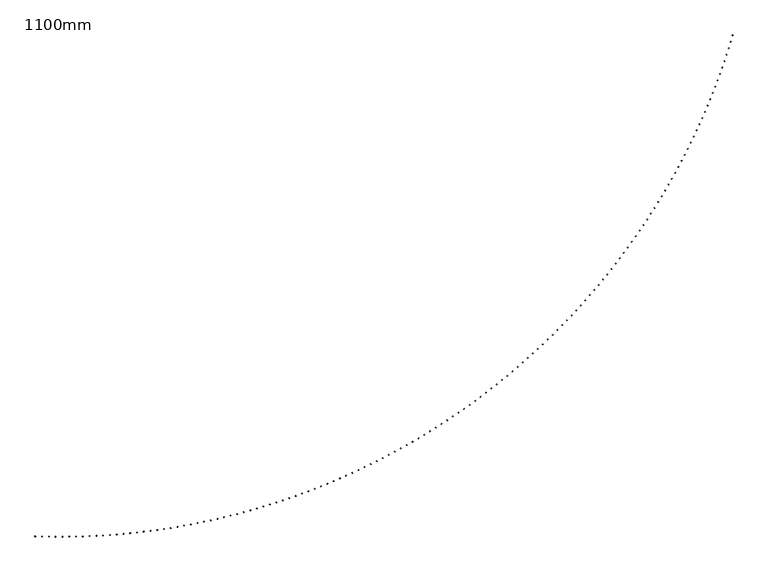
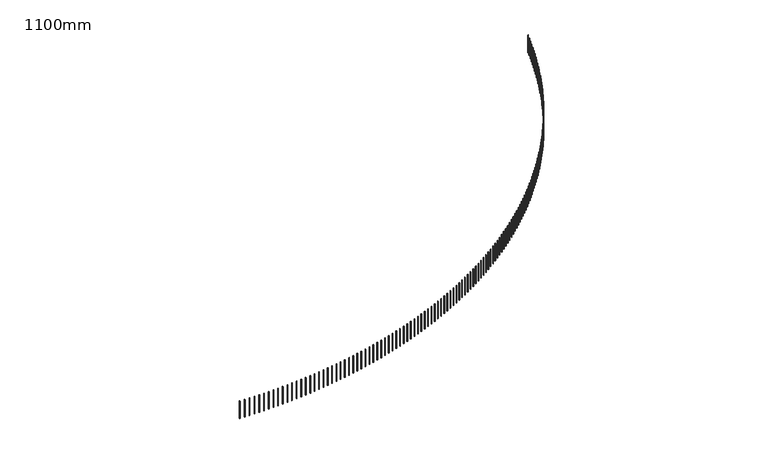
"""IFC4 building model written with IfcOpenShell, lengths in millimetres: railing geometry, 1100mm."""

from ifc_helpers import new_model, si_unit, frame, origin, place, context, project, spatial, polyline, outline, extrude, source, transform, mapped, element, save


def railing_1100mm_326855da(model_context):
    return source(origin(), model_context, "Body", "SweptSolid", [
        extrude(outline(polyline([(-10110.9562878, -82539.3710236), (-10111.8247156, -82564.3559358), (-10136.8096277, -82563.487508), (-10135.9411999, -82538.5025959), (-10110.9562878, -82539.3710236)])), frame((0.0, 0.0, 14600.0), z_axis=(0.0, 0.0, 1.0), x_axis=(1.0, 0.0, 0.0)), (0.0, 0.0, 1.0), 1050.0),
        extrude(outline(polyline([(-9836.1976261, -82547.4690723), (-9836.8242033, -82572.4612191), (-9861.8163501, -82571.8346419), (-9861.1897729, -82546.8424951), (-9836.1976261, -82547.4690723)])), frame((0.0, 0.0, 14600.0), z_axis=(0.0, 0.0, 1.0), x_axis=(1.0, 0.0, 0.0)), (0.0, 0.0, 1.0), 1050.0),
        extrude(outline(polyline([(-9561.373458, -82552.9075616), (-9561.7581259, -82577.9046021), (-9586.7551663, -82577.5199342), (-9586.3704985, -82552.5228938), (-9561.373458, -82552.9075616)])), frame((0.0, 0.0, 14600.0), z_axis=(0.0, 0.0, 1.0), x_axis=(1.0, 0.0, 0.0)), (0.0, 0.0, 1.0), 1050.0),
        extrude(outline(polyline([(-9286.5095264, -82555.6859823), (-9286.6522489, -82580.6855749), (-9311.6518415, -82580.5428524), (-9311.509119, -82555.5432598), (-9286.5095264, -82555.6859823)])), frame((0.0, 0.0, 14600.0), z_axis=(0.0, 0.0, 1.0), x_axis=(1.0, 0.0, 0.0)), (0.0, 0.0, 1.0), 1050.0),
        extrude(outline(polyline([(-9011.6315779, -82555.8040741), (-9011.5323416, -82580.8038771), (-9036.5321447, -82580.9031133), (-9036.6313809, -82555.9033103), (-9011.6315779, -82555.8040741)])), frame((0.0, 0.0, 14600.0), z_axis=(0.0, 0.0, 1.0), x_axis=(1.0, 0.0, 0.0)), (0.0, 0.0, 1.0), 1050.0),
        extrude(outline(polyline([(-8736.7653604, -82553.2618258), (-8736.4241747, -82578.2594975), (-8761.4218465, -82578.6006832), (-8761.7630321, -82553.6030114), (-8736.7653604, -82553.2618258)])), frame((0.0, 0.0, 14600.0), z_axis=(0.0, 0.0, 1.0), x_axis=(1.0, 0.0, 0.0)), (0.0, 0.0, 1.0), 1050.0),
        extrude(outline(polyline([(-8461.9366208, -82548.0594757), (-8461.3535177, -82573.0526745), (-8486.3467166, -82573.6357777), (-8486.9298197, -82548.6425788), (-8461.9366208, -82548.0594757)])), frame((0.0, 0.0, 14600.0), z_axis=(0.0, 0.0, 1.0), x_axis=(1.0, 0.0, 0.0)), (0.0, 0.0, 1.0), 1050.0),
        extrude(outline(polyline([(-8187.1711025, -82540.197511), (-8186.3461366, -82565.1838959), (-8211.3325215, -82566.0088618), (-8212.1574874, -82541.0224769), (-8187.1711025, -82540.197511)])), frame((0.0, 0.0, 14600.0), z_axis=(0.0, 0.0, 1.0), x_axis=(1.0, 0.0, 0.0)), (0.0, 0.0, 1.0), 1050.0),
        extrude(outline(polyline([(-7912.4945429, -82529.6766681), (-7911.4277914, -82554.6538986), (-7936.4050218, -82555.7206501), (-7937.4717734, -82530.7434196), (-7912.4945429, -82529.6766681)])), frame((0.0, 0.0, 14600.0), z_axis=(0.0, 0.0, 1.0), x_axis=(1.0, 0.0, 0.0)), (0.0, 0.0, 1.0), 1050.0),
        extrude(outline(polyline([(-7637.9326711, -82516.4979327), (-7636.6242339, -82541.463669), (-7661.5899703, -82542.7721062), (-7662.8984074, -82517.8063698), (-7637.9326711, -82516.4979327)])), frame((0.0, 0.0, 14600.0), z_axis=(0.0, 0.0, 1.0), x_axis=(1.0, 0.0, 0.0)), (0.0, 0.0, 1.0), 1050.0),
        extrude(outline(polyline([(-7363.5112053, -82500.662539), (-7361.9612051, -82525.6144427), (-7386.9131088, -82527.164443), (-7388.4631091, -82502.2125392), (-7363.5112053, -82500.662539)])), frame((0.0, 0.0, 14600.0), z_axis=(0.0, 0.0, 1.0), x_axis=(1.0, 0.0, 0.0)), (0.0, 0.0, 1.0), 1050.0),
        extrude(outline(polyline([(-7089.255851, -82482.1719705), (-7087.4644328, -82507.1077043), (-7112.4001666, -82508.8991224), (-7114.1915848, -82483.9633886), (-7089.255851, -82482.1719705)])), frame((0.0, 0.0, 14600.0), z_axis=(0.0, 0.0, 1.0), x_axis=(1.0, 0.0, 0.0)), (0.0, 0.0, 1.0), 1050.0),
        extrude(outline(polyline([(-6815.1922975, -82461.0279591), (-6813.1596293, -82485.9451873), (-6838.0768575, -82487.9778555), (-6840.1095257, -82463.0606273), (-6815.1922975, -82461.0279591)])), frame((0.0, 0.0, 14600.0), z_axis=(0.0, 0.0, 1.0), x_axis=(1.0, 0.0, 0.0)), (0.0, 0.0, 1.0), 1050.0),
        extrude(outline(polyline([(-6541.3462167, -82437.2324855), (-6539.0724888, -82462.128874), (-6563.9688773, -82464.4026019), (-6566.2426052, -82439.5062134), (-6541.3462167, -82437.2324855)])), frame((0.0, 0.0, 14600.0), z_axis=(0.0, 0.0, 1.0), x_axis=(1.0, 0.0, 0.0)), (0.0, 0.0, 1.0), 1050.0),
        extrude(outline(polyline([(-6267.7432598, -82410.7877785), (-6265.2286852, -82435.6609953), (-6290.101902, -82438.1755699), (-6292.6164767, -82413.3023531), (-6267.7432598, -82410.7877785)])), frame((0.0, 0.0, 14600.0), z_axis=(0.0, 0.0, 1.0), x_axis=(1.0, 0.0, 0.0)), (0.0, 0.0, 1.0), 1050.0),
        extrude(outline(polyline([(-5994.4090554, -82381.6963152), (-5991.6538696, -82406.5440305), (-6016.5015849, -82409.2992162), (-6019.2567706, -82384.451501), (-5994.4090554, -82381.6963152)])), frame((0.0, 0.0, 14600.0), z_axis=(0.0, 0.0, 1.0), x_axis=(1.0, 0.0, 0.0)), (0.0, 0.0, 1.0), 1050.0),
        extrude(outline(polyline([(-5721.3692068, -82349.9608208), (-5718.3736679, -82374.7807069), (-5743.1935541, -82377.7762457), (-5746.1890929, -82352.9563596), (-5721.3692068, -82349.9608208)])), frame((0.0, 0.0, 14600.0), z_axis=(0.0, 0.0, 1.0), x_axis=(1.0, 0.0, 0.0)), (0.0, 0.0, 1.0), 1050.0),
        extrude(outline(polyline([(-5448.6492898, -82315.5842677), (-5445.4136784, -82340.3739998), (-5470.2034106, -82343.6096112), (-5473.4390219, -82318.8198791), (-5448.6492898, -82315.5842677)])), frame((0.0, 0.0, 14600.0), z_axis=(0.0, 0.0, 1.0), x_axis=(1.0, 0.0, 0.0)), (0.0, 0.0, 1.0), 1050.0),
        extrude(outline(polyline([(-5176.2748502, -82278.5698762), (-5172.7994694, -82303.3271322), (-5197.5567255, -82306.802513), (-5201.0321063, -82282.0452569), (-5176.2748502, -82278.5698762)])), frame((0.0, 0.0, 14600.0), z_axis=(0.0, 0.0, 1.0), x_axis=(1.0, 0.0, 0.0)), (0.0, 0.0, 1.0), 1050.0),
        extrude(outline(polyline([(-4904.2714014, -82238.9211133), (-4900.5565768, -82263.6435743), (-4925.2790378, -82267.3583989), (-4928.9938624, -82242.6359379), (-4904.2714014, -82238.9211133)])), frame((0.0, 0.0, 14600.0), z_axis=(0.0, 0.0, 1.0), x_axis=(1.0, 0.0, 0.0)), (0.0, 0.0, 1.0), 1050.0),
        extrude(outline(polyline([(-4632.6644222, -82196.641693), (-4628.7105017, -82221.3270431), (-4653.3958518, -82225.2809637), (-4657.3497724, -82200.5956135), (-4632.6644222, -82196.641693)])), frame((0.0, 0.0, 14600.0), z_axis=(0.0, 0.0, 1.0), x_axis=(1.0, 0.0, 0.0)), (0.0, 0.0, 1.0), 1050.0),
        extrude(outline(polyline([(-4361.4793541, -82151.7355756), (-4357.286708, -82176.3815026), (-4381.9326351, -82180.5741487), (-4386.1252811, -82155.9282217), (-4361.4793541, -82151.7355756)])), frame((0.0, 0.0, 14600.0), z_axis=(0.0, 0.0, 1.0), x_axis=(1.0, 0.0, 0.0)), (0.0, 0.0, 1.0), 1050.0),
        extrude(outline(polyline([(-4090.7415992, -82104.2069675), (-4086.3106203, -82128.8111628), (-4110.9148156, -82133.2421417), (-4115.3457945, -82108.6379464), (-4090.7415992, -82104.2069675)])), frame((0.0, 0.0, 14600.0), z_axis=(0.0, 0.0, 1.0), x_axis=(1.0, 0.0, 0.0)), (0.0, 0.0, 1.0), 1050.0),
        extrude(outline(polyline([(-3820.4765175, -82054.0603207), (-3815.8076209, -82078.6204796), (-3840.3677798, -82083.2893763), (-3845.0366764, -82058.7292174), (-3820.4765175, -82054.0603207)])), frame((0.0, 0.0, 14600.0), z_axis=(0.0, 0.0, 1.0), x_axis=(1.0, 0.0, 0.0)), (0.0, 0.0, 1.0), 1050.0),
        extrude(outline(polyline([(-3550.709425, -82001.3003326), (-3545.803048, -82025.8141545), (-3570.3168699, -82030.7205315), (-3575.2232469, -82006.2067096), (-3550.709425, -82001.3003326)])), frame((0.0, 0.0, 14600.0), z_axis=(0.0, 0.0, 1.0), x_axis=(1.0, 0.0, 0.0)), (0.0, 0.0, 1.0), 1050.0),
        extrude(outline(polyline([(-3281.465591, -81945.931945), (-3276.3221931, -81970.3971337), (-3300.7873818, -81975.5405316), (-3305.9307796, -81951.0753429), (-3281.465591, -81945.931945)])), frame((0.0, 0.0, 14600.0), z_axis=(0.0, 0.0, 1.0), x_axis=(1.0, 0.0, 0.0)), (0.0, 0.0, 1.0), 1050.0),
        extrude(outline(polyline([(-3012.7702354, -81887.9603445), (-3007.3902985, -81912.3746083), (-3031.8045623, -81917.7545453), (-3037.1844993, -81893.3402814), (-3012.7702354, -81887.9603445)])), frame((0.0, 0.0, 14600.0), z_axis=(0.0, 0.0, 1.0), x_axis=(1.0, 0.0, 0.0)), (0.0, 0.0, 1.0), 1050.0),
        extrude(outline(polyline([(-2744.6485274, -81827.3909612), (-2739.0325553, -81851.7520133), (-2763.3936074, -81857.3679854), (-2769.0095794, -81833.0069333), (-2744.6485274, -81827.3909612)])), frame((0.0, 0.0, 14600.0), z_axis=(0.0, 0.0, 1.0), x_axis=(1.0, 0.0, 0.0)), (0.0, 0.0, 1.0), 1050.0),
        extrude(outline(polyline([(-2477.1255818, -81764.2294688), (-2471.2741007, -81788.5350272), (-2495.5796591, -81794.3865083), (-2501.4311402, -81770.0809499), (-2477.1255818, -81764.2294688)])), frame((0.0, 0.0, 14600.0), z_axis=(0.0, 0.0, 1.0), x_axis=(1.0, 0.0, 0.0)), (0.0, 0.0, 1.0), 1050.0),
        extrude(outline(polyline([(-2210.2264577, -81698.4817835), (-2204.1400157, -81722.7295715), (-2228.3878037, -81728.8160136), (-2234.4742457, -81704.5682256), (-2210.2264577, -81698.4817835)])), frame((0.0, 0.0, 14600.0), z_axis=(0.0, 0.0, 1.0), x_axis=(1.0, 0.0, 0.0)), (0.0, 0.0, 1.0), 1050.0),
        extrude(outline(polyline([(-1943.9761558, -81630.1540641), (-1937.6553229, -81654.3418104), (-1961.8430692, -81660.6626433), (-1968.1639021, -81636.474897), (-1943.9761558, -81630.1540641)])), frame((0.0, 0.0, 14600.0), z_axis=(0.0, 0.0, 1.0), x_axis=(1.0, 0.0, 0.0)), (0.0, 0.0, 1.0), 1050.0),
        extrude(outline(polyline([(-1678.3996157, -81559.2527107), (-1671.8449841, -81583.3781497), (-1695.970423, -81589.9327813), (-1702.5250546, -81565.8073424), (-1678.3996157, -81559.2527107)])), frame((0.0, 0.0, 14600.0), z_axis=(0.0, 0.0, 1.0), x_axis=(1.0, 0.0, 0.0)), (0.0, 0.0, 1.0), 1050.0),
        extrude(outline(polyline([(-1413.5217142, -81485.7843648), (-1406.7338978, -81509.8452366), (-1430.7947695, -81516.633053), (-1437.582586, -81492.5721812), (-1413.5217142, -81485.7843648)])), frame((0.0, 0.0, 14600.0), z_axis=(0.0, 0.0, 1.0), x_axis=(1.0, 0.0, 0.0)), (0.0, 0.0, 1.0), 1050.0),
        extrude(outline(polyline([(-1149.3672626, -81409.7559082), (-1142.3468972, -81433.7499589), (-1166.3409479, -81440.7703243), (-1173.3613133, -81416.7762736), (-1149.3672626, -81409.7559082)])), frame((0.0, 0.0, 14600.0), z_axis=(0.0, 0.0, 1.0), x_axis=(1.0, 0.0, 0.0)), (0.0, 0.0, 1.0), 1050.0),
        extrude(outline(polyline([(-885.9610043, -81331.1744625), (-878.7087475, -81355.0994447), (-902.6337297, -81362.3517014), (-909.8859864, -81338.4267192), (-885.9610043, -81331.1744625)])), frame((0.0, 0.0, 14600.0), z_axis=(0.0, 0.0, 1.0), x_axis=(1.0, 0.0, 0.0)), (0.0, 0.0, 1.0), 1050.0),
        extrude(outline(polyline([(-623.3276126, -81250.0473885), (-615.8441439, -81273.901061), (-639.6978165, -81281.3845298), (-647.1812852, -81257.5308572), (-623.3276126, -81250.0473885)])), frame((0.0, 0.0, 14600.0), z_axis=(0.0, 0.0, 1.0), x_axis=(1.0, 0.0, 0.0)), (0.0, 0.0, 1.0), 1050.0),
        extrude(outline(polyline([(-361.4916887, -81166.3822853), (-353.7777089, -81190.1624139), (-377.5578375, -81197.8763937), (-385.2718173, -81174.0962651), (-361.4916887, -81166.3822853)])), frame((0.0, 0.0, 14600.0), z_axis=(0.0, 0.0, 1.0), x_axis=(1.0, 0.0, 0.0)), (0.0, 0.0, 1.0), 1050.0),
        extrude(outline(polyline([(-100.4777588, -81080.18699), (-92.5339905, -81103.8913471), (-116.2383476, -81111.8351154), (-124.1821159, -81088.1307583), (-100.4777588, -81080.18699)])), frame((0.0, 0.0, 14600.0), z_axis=(0.0, 0.0, 1.0), x_axis=(1.0, 0.0, 0.0)), (0.0, 0.0, 1.0), 1050.0),
        extrude(outline(polyline([(159.6897277, -80991.4695764), (167.8625404, -81015.0959416), (144.2361752, -81023.2687543), (136.0633625, -80999.6423891), (159.6897277, -80991.4695764)])), frame((0.0, 0.0, 14600.0), z_axis=(0.0, 0.0, 1.0), x_axis=(1.0, 0.0, 0.0)), (0.0, 0.0, 1.0), 1050.0),
        extrude(outline(polyline([(418.986401, -80900.2383549), (427.3874925, -80923.7845151), (403.8413323, -80932.1856066), (395.4402408, -80908.6394464), (418.986401, -80900.2383549)])), frame((0.0, 0.0, 14600.0), z_axis=(0.0, 0.0, 1.0), x_axis=(1.0, 0.0, 0.0)), (0.0, 0.0, 1.0), 1050.0),
        extrude(outline(polyline([(677.3879724, -80806.501871), (686.0165559, -80829.9656207), (662.5528062, -80838.5942041), (653.9242228, -80815.1304544), (677.3879724, -80806.501871)])), frame((0.0, 0.0, 14600.0), z_axis=(0.0, 0.0, 1.0), x_axis=(1.0, 0.0, 0.0)), (0.0, 0.0, 1.0), 1050.0),
        extrude(outline(polyline([(934.8702375, -80710.2689051), (943.7255046, -80733.6480464), (920.3463633, -80742.5033135), (911.4910963, -80719.1241722), (934.8702375, -80710.2689051)])), frame((0.0, 0.0, 14600.0), z_axis=(0.0, 0.0, 1.0), x_axis=(1.0, 0.0, 0.0)), (0.0, 0.0, 1.0), 1050.0),
        extrude(outline(polyline([(1191.4090777, -80611.5484715), (1200.4901989, -80634.8408144), (1177.197856, -80643.9219356), (1168.1167348, -80620.6295927), (1191.4090777, -80611.5484715)])), frame((0.0, 0.0, 14600.0), z_axis=(0.0, 0.0, 1.0), x_axis=(1.0, 0.0, 0.0)), (0.0, 0.0, 1.0), 1050.0),
        extrude(outline(polyline([(1446.9804628, -80510.3498172), (1456.2865876, -80533.5531799), (1433.0832249, -80542.8593047), (1423.7771001, -80519.655942), (1446.9804628, -80510.3498172)])), frame((0.0, 0.0, 14600.0), z_axis=(0.0, 0.0, 1.0), x_axis=(1.0, 0.0, 0.0)), (0.0, 0.0, 1.0), 1050.0),
        extrude(outline(polyline([(1701.5604535, -80406.6824217), (1711.0907101, -80429.7946308), (1687.978501, -80439.3248874), (1678.4482444, -80416.2126783), (1701.5604535, -80406.6824217)])), frame((0.0, 0.0, 14600.0), z_axis=(0.0, 0.0, 1.0), x_axis=(1.0, 0.0, 0.0)), (0.0, 0.0, 1.0), 1050.0),
        extrude(outline(polyline([(1955.125203, -80300.5559955), (1964.8786987, -80323.574886), (1941.8598082, -80333.3283817), (1932.1063125, -80310.3094912), (1955.125203, -80300.5559955)])), frame((0.0, 0.0, 14600.0), z_axis=(0.0, 0.0, 1.0), x_axis=(1.0, 0.0, 0.0)), (0.0, 0.0, 1.0), 1050.0),
        extrude(outline(polyline([(2207.6509598, -80191.9804794), (2217.6267811, -80214.9038952), (2194.7033653, -80224.8797165), (2184.7275441, -80201.9563007), (2207.6509598, -80191.9804794)])), frame((0.0, 0.0, 14600.0), z_axis=(0.0, 0.0, 1.0), x_axis=(1.0, 0.0, 0.0)), (0.0, 0.0, 1.0), 1050.0),
        extrude(outline(polyline([(2459.1140697, -80080.966044), (2469.3112821, -80103.7918377), (2446.4854883, -80113.9890501), (2436.288276, -80091.1632563), (2459.1140697, -80080.966044)])), frame((0.0, 0.0, 14600.0), z_axis=(0.0, 0.0, 1.0), x_axis=(1.0, 0.0, 0.0)), (0.0, 0.0, 1.0), 1050.0),
        extrude(outline(polyline([(2709.4909781, -79967.5230878), (2719.9086263, -79990.2491214), (2697.1825927, -80000.6667697), (2686.7649444, -79977.940736), (2709.4909781, -79967.5230878)])), frame((0.0, 0.0, 14600.0), z_axis=(0.0, 0.0, 1.0), x_axis=(1.0, 0.0, 0.0)), (0.0, 0.0, 1.0), 1050.0),
        extrude(outline(polyline([(2958.7582319, -79851.6622372), (2969.3953402, -79874.286382), (2946.7711955, -79884.9234903), (2936.1340872, -79862.2993455), (2958.7582319, -79851.6622372)])), frame((0.0, 0.0, 14600.0), z_axis=(0.0, 0.0, 1.0), x_axis=(1.0, 0.0, 0.0)), (0.0, 0.0, 1.0), 1050.0),
        extrude(outline(polyline([(3206.8924823, -79733.394345), (3217.7480543, -79755.9144816), (3195.2279176, -79766.7700536), (3184.3723456, -79744.249917), (3206.8924823, -79733.394345)])), frame((0.0, 0.0, 14600.0), z_axis=(0.0, 0.0, 1.0), x_axis=(1.0, 0.0, 0.0)), (0.0, 0.0, 1.0), 1050.0),
        extrude(outline(polyline([(3453.8704863, -79612.7304892), (3464.9435051, -79635.1445084), (3442.529486, -79646.2175272), (3431.4564671, -79623.8035081), (3453.8704863, -79612.7304892)])), frame((0.0, 0.0, 14600.0), z_axis=(0.0, 0.0, 1.0), x_axis=(1.0, 0.0, 0.0)), (0.0, 0.0, 1.0), 1050.0),
        extrude(outline(polyline([(3699.6691094, -79489.6819727), (3710.9585378, -79511.9877747), (3688.6527358, -79523.2772032), (3677.3633073, -79500.9714011), (3699.6691094, -79489.6819727)])), frame((0.0, 0.0, 14600.0), z_axis=(0.0, 0.0, 1.0), x_axis=(1.0, 0.0, 0.0)), (0.0, 0.0, 1.0), 1050.0),
        extrude(outline(polyline([(3944.2653275, -79364.2603213), (3955.7701081, -79386.4558169), (3933.5746125, -79397.9605975), (3922.0698319, -79375.7651019), (3944.2653275, -79364.2603213)])), frame((0.0, 0.0, 14600.0), z_axis=(0.0, 0.0, 1.0), x_axis=(1.0, 0.0, 0.0)), (0.0, 0.0, 1.0), 1050.0),
        extrude(outline(polyline([(4187.6362291, -79236.4772835), (4199.3552842, -79258.5603935), (4177.2721742, -79270.2794486), (4165.5531191, -79248.1963386), (4187.6362291, -79236.4772835)])), frame((0.0, 0.0, 14600.0), z_axis=(0.0, 0.0, 1.0), x_axis=(1.0, 0.0, 0.0)), (0.0, 0.0, 1.0), 1050.0),
        extrude(outline(polyline([(4429.7590177, -79106.3448286), (4441.6912495, -79128.3134846), (4419.7225936, -79140.2457164), (4407.7903618, -79118.2770605), (4429.7590177, -79106.3448286)])), frame((0.0, 0.0, 14600.0), z_axis=(0.0, 0.0, 1.0), x_axis=(1.0, 0.0, 0.0)), (0.0, 0.0, 1.0), 1050.0),
        extrude(outline(polyline([(4670.6110134, -78973.8751464), (4682.7553042, -78995.7272904), (4660.9031602, -79007.8715813), (4648.7588693, -78986.0194373), (4670.6110134, -78973.8751464)])), frame((0.0, 0.0, 14600.0), z_axis=(0.0, 0.0, 1.0), x_axis=(1.0, 0.0, 0.0)), (0.0, 0.0, 1.0), 1050.0),
        extrude(outline(polyline([(4910.1696554, -78839.0806452), (4922.5248678, -78860.8142304), (4900.7912826, -78873.1694428), (4888.4360702, -78851.4358576), (4910.1696554, -78839.0806452)])), frame((0.0, 0.0, 14600.0), z_axis=(0.0, 0.0, 1.0), x_axis=(1.0, 0.0, 0.0)), (0.0, 0.0, 1.0), 1050.0),
        extrude(outline(polyline([(5148.4125043, -78701.9739514), (5160.9774809, -78723.586942), (5139.3644902, -78736.1519186), (5126.7995137, -78714.5389279), (5148.4125043, -78701.9739514)])), frame((0.0, 0.0, 14600.0), z_axis=(0.0, 0.0, 1.0), x_axis=(1.0, 0.0, 0.0)), (0.0, 0.0, 1.0), 1050.0),
        extrude(outline(polyline([(5385.3172437, -78562.5679077), (5398.0908074, -78584.0582793), (5376.6004359, -78596.831843), (5363.8268721, -78575.3414715), (5385.3172437, -78562.5679077)])), frame((0.0, 0.0, 14600.0), z_axis=(0.0, 0.0, 1.0), x_axis=(1.0, 0.0, 0.0)), (0.0, 0.0, 1.0), 1050.0),
        extrude(outline(polyline([(5620.8616826, -78420.8755725), (5633.842637, -78442.241312), (5612.4768976, -78455.2222664), (5599.4959431, -78433.856527), (5620.8616826, -78420.8755725)])), frame((0.0, 0.0, 14600.0), z_axis=(0.0, 0.0, 1.0), x_axis=(1.0, 0.0, 0.0)), (0.0, 0.0, 1.0), 1050.0),
        extrude(outline(polyline([(5855.0237574, -78276.9102182), (5868.2108866, -78298.1493241), (5846.9717806, -78311.3364534), (5833.7846514, -78290.0973474), (5855.0237574, -78276.9102182)])), frame((0.0, 0.0, 14600.0), z_axis=(0.0, 0.0, 1.0), x_axis=(1.0, 0.0, 0.0)), (0.0, 0.0, 1.0), 1050.0),
        extrude(outline(polyline([(6087.781534, -78130.6853299), (6101.1736028, -78151.795813), (6080.0631197, -78165.1878817), (6066.671051, -78144.0773987), (6087.781534, -78130.6853299)])), frame((0.0, 0.0, 14600.0), z_axis=(0.0, 0.0, 1.0), x_axis=(1.0, 0.0, 0.0)), (0.0, 0.0, 1.0), 1050.0),
        extrude(outline(polyline([(6319.11321, -77982.2146048), (6332.7089638, -78003.1944875), (6311.7290811, -78016.7902413), (6298.1333273, -77995.8103586), (6319.11321, -77982.2146048)])), frame((0.0, 0.0, 14600.0), z_axis=(0.0, 0.0, 1.0), x_axis=(1.0, 0.0, 0.0)), (0.0, 0.0, 1.0), 1050.0),
        extrude(outline(polyline([(6548.9971164, -77831.5119501), (6562.7952817, -77852.3592672), (6541.9479646, -77866.1574326), (6528.1497992, -77845.3101155), (6548.9971164, -77831.5119501)])), frame((0.0, 0.0, 14600.0), z_axis=(0.0, 0.0, 1.0), x_axis=(1.0, 0.0, 0.0)), (0.0, 0.0, 1.0), 1050.0),
        extrude(outline(polyline([(6777.4117197, -77678.5914822), (6791.4110042, -77699.304281), (6770.6982054, -77713.3035655), (6756.6989209, -77692.5907666), (6777.4117197, -77678.5914822)])), frame((0.0, 0.0, 14600.0), z_axis=(0.0, 0.0, 1.0), x_axis=(1.0, 0.0, 0.0)), (0.0, 0.0, 1.0), 1050.0),
        extrude(outline(polyline([(7004.3356244, -77523.4675252), (7018.5347166, -77544.0438655), (6997.9583763, -77558.2429578), (6983.7592841, -77537.6666174), (7004.3356244, -77523.4675252)])), frame((0.0, 0.0, 14600.0), z_axis=(0.0, 0.0, 1.0), x_axis=(1.0, 0.0, 0.0)), (0.0, 0.0, 1.0), 1050.0),
        extrude(outline(polyline([(7229.7475744, -77366.1546098), (7244.1451443, -77386.5925642), (7223.7071899, -77400.9901341), (7209.30962, -77380.5521797), (7229.7475744, -77366.1546098)])), frame((0.0, 0.0, 14600.0), z_axis=(0.0, 0.0, 1.0), x_axis=(1.0, 0.0, 0.0)), (0.0, 0.0, 1.0), 1050.0),
        extrude(outline(polyline([(7453.6264551, -77206.6674714), (7468.2211541, -77226.9651255), (7447.9235, -77241.5598245), (7433.328801, -77221.2621704), (7453.6264551, -77206.6674714)])), frame((0.0, 0.0, 14600.0), z_axis=(0.0, 0.0, 1.0), x_axis=(1.0, 0.0, 0.0)), (0.0, 0.0, 1.0), 1050.0),
        extrude(outline(polyline([(7675.9512957, -77045.0210493), (7690.7417567, -77065.1765018), (7670.5863043, -77079.9669628), (7655.7958433, -77059.8115103), (7675.9512957, -77045.0210493)])), frame((0.0, 0.0, 14600.0), z_axis=(0.0, 0.0, 1.0), x_axis=(1.0, 0.0, 0.0)), (0.0, 0.0, 1.0), 1050.0),
        extrude(outline(polyline([(7896.701271, -76881.2304851), (7911.6861086, -76901.2418479), (7891.6747458, -76916.2266855), (7876.6899082, -76896.2153227), (7896.701271, -76881.2304851)])), frame((0.0, 0.0, 14600.0), z_axis=(0.0, 0.0, 1.0), x_axis=(1.0, 0.0, 0.0)), (0.0, 0.0, 1.0), 1050.0),
        extrude(outline(polyline([(8115.8557032, -76715.311121), (8131.0335137, -76735.1765197), (8111.168115, -76750.3543302), (8095.9903045, -76730.4889315), (8115.8557032, -76715.311121)])), frame((0.0, 0.0, 14600.0), z_axis=(0.0, 0.0, 1.0), x_axis=(1.0, 0.0, 0.0)), (0.0, 0.0, 1.0), 1050.0),
        extrude(outline(polyline([(8333.394064, -76547.2784988), (8348.7634258, -76566.9960726), (8329.0458519, -76582.3654344), (8313.6764901, -76562.6478605), (8333.394064, -76547.2784988)])), frame((0.0, 0.0, 14600.0), z_axis=(0.0, 0.0, 1.0), x_axis=(1.0, 0.0, 0.0)), (0.0, 0.0, 1.0), 1050.0),
        extrude(outline(polyline([(8549.2959765, -76377.1483582), (8564.8554498, -76396.7162602), (8545.2875477, -76412.2757335), (8529.7280744, -76392.7078315), (8549.2959765, -76377.1483582)])), frame((0.0, 0.0, 14600.0), z_axis=(0.0, 0.0, 1.0), x_axis=(1.0, 0.0, 0.0)), (0.0, 0.0, 1.0), 1050.0),
        extrude(outline(polyline([(8763.541217, -76204.9366354), (8779.2893444, -76224.3530327), (8759.8729471, -76240.1011601), (8744.1248197, -76220.6847628), (8763.541217, -76204.9366354)])), frame((0.0, 0.0, 14600.0), z_axis=(0.0, 0.0, 1.0), x_axis=(1.0, 0.0, 0.0)), (0.0, 0.0, 1.0), 1050.0),
        extrude(outline(polyline([(8976.109717, -76030.6594615), (8992.0450234, -76049.9225353), (8972.7819496, -76065.8578417), (8956.8466432, -76046.5947679), (8976.109717, -76030.6594615)])), frame((0.0, 0.0, 14600.0), z_axis=(0.0, 0.0, 1.0), x_axis=(1.0, 0.0, 0.0)), (0.0, 0.0, 1.0), 1050.0),
        extrude(outline(polyline([(9186.9815652, -75854.3331613), (9203.1025579, -75873.4411071), (9183.994612, -75889.5620998), (9167.8736193, -75870.4541539), (9186.9815652, -75854.3331613)])), frame((0.0, 0.0, 14600.0), z_axis=(0.0, 0.0, 1.0), x_axis=(1.0, 0.0, 0.0)), (0.0, 0.0, 1.0), 1050.0),
        extrude(outline(polyline([(9396.1370091, -75675.9742511), (9412.442178, -75694.9252792), (9393.4911499, -75711.2304482), (9377.185981, -75692.27942), (9396.1370091, -75675.9742511)])), frame((0.0, 0.0, 14600.0), z_axis=(0.0, 0.0, 1.0), x_axis=(1.0, 0.0, 0.0)), (0.0, 0.0, 1.0), 1050.0),
        extrude(outline(polyline([(9603.556457, -75495.5994381), (9620.0442748, -75514.3917733), (9601.2519396, -75530.8795912), (9584.7641218, -75512.0872559), (9603.556457, -75495.5994381)])), frame((0.0, 0.0, 14600.0), z_axis=(0.0, 0.0, 1.0), x_axis=(1.0, 0.0, 0.0)), (0.0, 0.0, 1.0), 1050.0),
        extrude(outline(polyline([(9809.2204798, -75313.225618), (9825.8894022, -75331.8575), (9807.2575201, -75348.5264224), (9790.5885978, -75329.8945403), (9809.2204798, -75313.225618)])), frame((0.0, 0.0, 14600.0), z_axis=(0.0, 0.0, 1.0), x_axis=(1.0, 0.0, 0.0)), (0.0, 0.0, 1.0), 1050.0),
        extrude(outline(polyline([(10013.1098129, -75128.8698739), (10029.9582783, -75147.3395575), (10011.4885947, -75164.1880229), (9994.6401293, -75145.7183393), (10013.1098129, -75128.8698739)])), frame((0.0, 0.0, 14600.0), z_axis=(0.0, 0.0, 1.0), x_axis=(1.0, 0.0, 0.0)), (0.0, 0.0, 1.0), 1050.0),
        extrude(outline(polyline([(10215.2053578, -74942.5494744), (10232.2317882, -74960.8552295), (10213.9260331, -74977.8816598), (10196.8996027, -74959.5759048), (10215.2053578, -74942.5494744)])), frame((0.0, 0.0, 14600.0), z_axis=(0.0, 0.0, 1.0), x_axis=(1.0, 0.0, 0.0)), (0.0, 0.0, 1.0), 1050.0),
        extrude(outline(polyline([(10415.4881842, -74754.2818723), (10432.6909846, -74772.4219842), (10414.5508727, -74789.6247846), (10397.3480723, -74771.4846727), (10415.4881842, -74754.2818723)])), frame((0.0, 0.0, 14600.0), z_axis=(0.0, 0.0, 1.0), x_axis=(1.0, 0.0, 0.0)), (0.0, 0.0, 1.0), 1050.0),
        extrude(outline(polyline([(10613.9395314, -74564.0847027), (10631.3170904, -74582.0574722), (10613.344321, -74599.4350312), (10595.966762, -74581.4622617), (10613.9395314, -74564.0847027)])), frame((0.0, 0.0, 14600.0), z_axis=(0.0, 0.0, 1.0), x_axis=(1.0, 0.0, 0.0)), (0.0, 0.0, 1.0), 1050.0),
        extrude(outline(polyline([(10810.5408105, -74371.9757815), (10828.0915004, -74389.779525), (10810.2877568, -74407.3302149), (10792.7370669, -74389.5264714), (10810.5408105, -74371.9757815)])), frame((0.0, 0.0, 14600.0), z_axis=(0.0, 0.0, 1.0), x_axis=(1.0, 0.0, 0.0)), (0.0, 0.0, 1.0), 1050.0),
        extrude(outline(polyline([(11005.2736056, -74177.9731036), (11022.9957824, -74195.6061535), (11005.3627325, -74213.3283303), (10987.6405557, -74195.6952804), (11005.2736056, -74177.9731036)])), frame((0.0, 0.0, 14600.0), z_axis=(0.0, 0.0, 1.0), x_axis=(1.0, 0.0, 0.0)), (0.0, 0.0, 1.0), 1050.0),
        extrude(outline(polyline([(11198.1196761, -73982.0948413), (11216.0116798, -73999.5555459), (11198.5509751, -74017.4475496), (11180.6589715, -73999.986845), (11198.1196761, -73982.0948413)])), frame((0.0, 0.0, 14600.0), z_axis=(0.0, 0.0, 1.0), x_axis=(1.0, 0.0, 0.0)), (0.0, 0.0, 1.0), 1050.0),
        extrude(outline(polyline([(11389.060958, -73784.3593427), (11407.1211125, -73801.6460664), (11389.8343888, -73819.706221), (11371.7742342, -73802.4194972), (11389.060958, -73784.3593427)])), frame((0.0, 0.0, 14600.0), z_axis=(0.0, 0.0, 1.0), x_axis=(1.0, 0.0, 0.0)), (0.0, 0.0, 1.0), 1050.0),
        extrude(outline(polyline([(11578.0795657, -73584.7851297), (11596.3061794, -73601.8962533), (11579.1950558, -73620.1228671), (11560.968442, -73603.0117434), (11578.0795657, -73584.7851297)])), frame((0.0, 0.0, 14600.0), z_axis=(0.0, 0.0, 1.0), x_axis=(1.0, 0.0, 0.0)), (0.0, 0.0, 1.0), 1050.0),
        extrude(outline(polyline([(11765.1577937, -73383.3908966), (11783.5491593, -73400.3248173), (11766.6152386, -73418.7161829), (11748.223873, -73401.7822622), (11765.1577937, -73383.3908966)])), frame((0.0, 0.0, 14600.0), z_axis=(0.0, 0.0, 1.0), x_axis=(1.0, 0.0, 0.0)), (0.0, 0.0, 1.0), 1050.0),
        extrude(outline(polyline([(11950.2781183, -73180.195508), (11968.8325131, -73196.9506396), (11952.0773816, -73215.5050344), (11933.5229868, -73198.7499028), (11950.2781183, -73180.195508)])), frame((0.0, 0.0, 14600.0), z_axis=(0.0, 0.0, 1.0), x_axis=(1.0, 0.0, 0.0)), (0.0, 0.0, 1.0), 1050.0),
        extrude(outline(polyline([(12133.4231993, -72975.2179974), (12152.1388853, -72991.7927703), (12135.5641123, -73010.5084563), (12116.8484263, -72993.9336833), (12133.4231993, -72975.2179974)])), frame((0.0, 0.0, 14600.0), z_axis=(0.0, 0.0, 1.0), x_axis=(1.0, 0.0, 0.0)), (0.0, 0.0, 1.0), 1050.0),
        extrude(outline(polyline([(12314.5758813, -72768.4775651), (12333.4511053, -72784.8704269), (12317.0582435, -72803.7456509), (12298.1830195, -72787.3527891), (12314.5758813, -72768.4775651)])), frame((0.0, 0.0, 14600.0), z_axis=(0.0, 0.0, 1.0), x_axis=(1.0, 0.0, 0.0)), (0.0, 0.0, 1.0), 1050.0),
        extrude(outline(polyline([(12493.7191956, -72559.9935766), (12512.7521897, -72576.2029917), (12496.5427745, -72595.2359857), (12477.5097805, -72579.0265706), (12493.7191956, -72559.9935766)])), frame((0.0, 0.0, 14600.0), z_axis=(0.0, 0.0, 1.0), x_axis=(1.0, 0.0, 0.0)), (0.0, 0.0, 1.0), 1050.0),
        extrude(outline(polyline([(12670.8363619, -72349.7855607), (12690.0253431, -72365.8100107), (12674.000893, -72384.9989919), (12654.8119118, -72368.9745419), (12670.8363619, -72349.7855607)])), frame((0.0, 0.0, 14600.0), z_axis=(0.0, 0.0, 1.0), x_axis=(1.0, 0.0, 0.0)), (0.0, 0.0, 1.0), 1050.0),
        extrude(outline(polyline([(12845.9107894, -72137.8732076), (12865.2539604, -72153.7111917), (12849.4159763, -72173.0543626), (12830.0728054, -72157.2163786), (12845.9107894, -72137.8732076)])), frame((0.0, 0.0, 14600.0), z_axis=(0.0, 0.0, 1.0), x_axis=(1.0, 0.0, 0.0)), (0.0, 0.0, 1.0), 1050.0),
        extrude(outline(polyline([(13018.9260789, -71924.2763674), (13038.4216277, -71939.9264018), (13022.7715933, -71959.4219506), (13003.2760445, -71943.7719162), (13018.9260789, -71924.2763674)])), frame((0.0, 0.0, 14600.0), z_axis=(0.0, 0.0, 1.0), x_axis=(1.0, 0.0, 0.0)), (0.0, 0.0, 1.0), 1050.0),
        extrude(outline(polyline([(13189.8660239, -71709.0150478), (13209.5121244, -71724.4756666), (13194.0515055, -71744.1217671), (13174.405405, -71728.6611483), (13189.8660239, -71709.0150478)])), frame((0.0, 0.0, 14600.0), z_axis=(0.0, 0.0, 1.0), x_axis=(1.0, 0.0, 0.0)), (0.0, 0.0, 1.0), 1050.0),
        extrude(outline(polyline([(13358.7146124, -71492.1094123), (13378.5094243, -71507.3791674), (13363.2396692, -71527.1739793), (13343.4448573, -71511.9042242), (13358.7146124, -71492.1094123)])), frame((0.0, 0.0, 14600.0), z_axis=(0.0, 0.0, 1.0), x_axis=(1.0, 0.0, 0.0)), (0.0, 0.0, 1.0), 1050.0),
        extrude(outline(polyline([(13525.4560282, -71273.5797787), (13545.3976974, -71288.6572397), (13530.3202364, -71308.5989088), (13510.3785672, -71293.5214478), (13525.4560282, -71273.5797787)])), frame((0.0, 0.0, 14600.0), z_axis=(0.0, 0.0, 1.0), x_axis=(1.0, 0.0, 0.0)), (0.0, 0.0, 1.0), 1050.0),
        extrude(outline(polyline([(13690.0746527, -71053.4466166), (13710.1613111, -71068.3303713), (13695.2775565, -71088.4170297), (13675.190898, -71073.5332751), (13690.0746527, -71053.4466166)])), frame((0.0, 0.0, 14600.0), z_axis=(0.0, 0.0, 1.0), x_axis=(1.0, 0.0, 0.0)), (0.0, 0.0, 1.0), 1050.0),
        extrude(outline(polyline([(13852.5550658, -70831.7305462), (13872.7848321, -70846.4192003), (13858.096178, -70866.6489665), (13837.8664118, -70851.9603125), (13852.5550658, -70831.7305462)])), frame((0.0, 0.0, 14600.0), z_axis=(0.0, 0.0, 1.0), x_axis=(1.0, 0.0, 0.0)), (0.0, 0.0, 1.0), 1050.0),
        extrude(outline(polyline([(14012.882048, -70608.4523357), (14033.2530271, -70622.9445133), (14018.7608495, -70643.3154923), (13998.3898705, -70628.8233148), (14012.882048, -70608.4523357)])), frame((0.0, 0.0, 14600.0), z_axis=(0.0, 0.0, 1.0), x_axis=(1.0, 0.0, 0.0)), (0.0, 0.0, 1.0), 1050.0),
        extrude(outline(polyline([(14171.0405814, -70383.6328996), (14191.5508652, -70397.9272432), (14177.2565216, -70418.437527), (14156.7462378, -70404.1431833), (14171.0405814, -70383.6328996)])), frame((0.0, 0.0, 14600.0), z_axis=(0.0, 0.0, 1.0), x_axis=(1.0, 0.0, 0.0)), (0.0, 0.0, 1.0), 1050.0),
        extrude(outline(polyline([(14327.0158512, -70157.2932968), (14347.6635184, -70171.3884676), (14333.5683477, -70192.0361348), (14312.9206805, -70177.9409641), (14327.0158512, -70157.2932968)])), frame((0.0, 0.0, 14600.0), z_axis=(0.0, 0.0, 1.0), x_axis=(1.0, 0.0, 0.0)), (0.0, 0.0, 1.0), 1050.0),
        extrude(outline(polyline([(14480.7932471, -69929.4547289), (14501.5763637, -69943.3494064), (14487.6816862, -69964.132523), (14466.8985696, -69950.2378455), (14480.7932471, -69929.4547289)])), frame((0.0, 0.0, 14600.0), z_axis=(0.0, 0.0, 1.0), x_axis=(1.0, 0.0, 0.0)), (0.0, 0.0, 1.0), 1050.0),
        extrude(outline(polyline([(14632.3583646, -69700.1385374), (14653.2749839, -69713.8314202), (14639.5821011, -69734.7480394), (14618.6654818, -69721.0551566), (14632.3583646, -69700.1385374)])), frame((0.0, 0.0, 14600.0), z_axis=(0.0, 0.0, 1.0), x_axis=(1.0, 0.0, 0.0)), (0.0, 0.0, 1.0), 1050.0),
        extrude(outline(polyline([(14781.6970067, -69469.3662026), (14802.7451693, -69482.856008), (14789.2553639, -69503.9041706), (14768.2072013, -69490.4143652), (14781.6970067, -69469.3662026)])), frame((0.0, 0.0, 14600.0), z_axis=(0.0, 0.0, 1.0), x_axis=(1.0, 0.0, 0.0)), (0.0, 0.0, 1.0), 1050.0),
        extrude(outline(polyline([(14928.7951847, -69237.1593409), (14949.972919, -69250.4448054), (14936.6874545, -69271.6225398), (14915.5097201, -69258.3370753), (14928.7951847, -69237.1593409)])), frame((0.0, 0.0, 14600.0), z_axis=(0.0, 0.0, 1.0), x_axis=(1.0, 0.0, 0.0)), (0.0, 0.0, 1.0), 1050.0),
        extrude(outline(polyline([(15073.6391197, -69003.5397035), (15094.9444421, -69016.6195826), (15081.864563, -69037.924905), (15060.5592406, -69024.8450259), (15073.6391197, -69003.5397035)])), frame((0.0, 0.0, 14600.0), z_axis=(0.0, 0.0, 1.0), x_axis=(1.0, 0.0, 0.0)), (0.0, 0.0, 1.0), 1050.0),
        extrude(outline(polyline([(15216.2152443, -68768.5291734), (15237.6461591, -68781.4022419), (15224.7730906, -68802.8331567), (15203.3421758, -68789.9600882), (15216.2152443, -68768.5291734)])), frame((0.0, 0.0, 14600.0), z_axis=(0.0, 0.0, 1.0), x_axis=(1.0, 0.0, 0.0)), (0.0, 0.0, 1.0), 1050.0),
        extrude(outline(polyline([(15356.5102032, -68532.1497643), (15378.0647029, -68544.8148164), (15365.3996508, -68566.3693161), (15343.8451512, -68553.704264), (15356.5102032, -68532.1497643)])), frame((0.0, 0.0, 14600.0), z_axis=(0.0, 0.0, 1.0), x_axis=(1.0, 0.0, 0.0)), (0.0, 0.0, 1.0), 1050.0),
        extrude(outline(polyline([(15494.510855, -68294.423618), (15516.1869206, -68306.8794673), (15503.7310713, -68328.5555329), (15482.0550057, -68316.0996836), (15494.510855, -68294.423618)])), frame((0.0, 0.0, 14600.0), z_axis=(0.0, 0.0, 1.0), x_axis=(1.0, 0.0, 0.0)), (0.0, 0.0, 1.0), 1050.0),
        extrude(outline(polyline([(15630.204273, -68055.3730024), (15651.9998741, -68067.6184821), (15639.7543943, -68089.4140832), (15617.9587932, -68077.1686034), (15630.204273, -68055.3730024)])), frame((0.0, 0.0, 14600.0), z_axis=(0.0, 0.0, 1.0), x_axis=(1.0, 0.0, 0.0)), (0.0, 0.0, 1.0), 1050.0),
        extrude(outline(polyline([(15763.5777468, -67815.0203094), (15785.4908418, -67827.0542726), (15773.4568785, -67848.9673675), (15751.5437836, -67836.9334043), (15763.5777468, -67815.0203094)])), frame((0.0, 0.0, 14600.0), z_axis=(0.0, 0.0, 1.0), x_axis=(1.0, 0.0, 0.0)), (0.0, 0.0, 1.0), 1050.0),
        extrude(outline(polyline([(15894.6187833, -67573.388053), (15916.6473194, -67585.2093725), (15904.826, -67607.2379087), (15882.7974638, -67595.4165892), (15894.6187833, -67573.388053)])), frame((0.0, 0.0, 14600.0), z_axis=(0.0, 0.0, 1.0), x_axis=(1.0, 0.0, 0.0)), (0.0, 0.0, 1.0), 1050.0),
        extrude(outline(polyline([(16023.3151076, -67330.4988671), (16045.4570216, -67342.1064355), (16033.8494533, -67364.2483495), (16011.7075393, -67352.6407811), (16023.3151076, -67330.4988671)])), frame((0.0, 0.0, 14600.0), z_axis=(0.0, 0.0, 1.0), x_axis=(1.0, 0.0, 0.0)), (0.0, 0.0, 1.0), 1050.0),
        extrude(outline(polyline([(16149.6546649, -67086.3755032), (16171.9078827, -67097.7682332), (16160.5151527, -67120.021451), (16138.2619349, -67108.628721), (16149.6546649, -67086.3755032)])), frame((0.0, 0.0, 14600.0), z_axis=(0.0, 0.0, 1.0), x_axis=(1.0, 0.0, 0.0)), (0.0, 0.0, 1.0), 1050.0),
        extrude(outline(polyline([(16273.6256207, -66841.0408284), (16295.9880579, -66852.2176529), (16284.8112334, -66874.58009), (16262.4487963, -66863.4032656), (16273.6256207, -66841.0408284)])), frame((0.0, 0.0, 14600.0), z_axis=(0.0, 0.0, 1.0), x_axis=(1.0, 0.0, 0.0)), (0.0, 0.0, 1.0), 1050.0),
        extrude(outline(polyline([(16395.2163628, -66594.5178234), (16417.6859245, -66605.4776954), (16406.7260526, -66627.9472572), (16384.2564908, -66616.9873852), (16395.2163628, -66594.5178234)])), frame((0.0, 0.0, 14600.0), z_axis=(0.0, 0.0, 1.0), x_axis=(1.0, 0.0, 0.0)), (0.0, 0.0, 1.0), 1050.0),
        extrude(outline(polyline([(16514.4155015, -66346.8295802), (16536.9900832, -66357.571473), (16526.2481903, -66380.1460547), (16503.6736086, -66369.4041618), (16514.4155015, -66346.8295802)])), frame((0.0, 0.0, 14600.0), z_axis=(0.0, 0.0, 1.0), x_axis=(1.0, 0.0, 0.0)), (0.0, 0.0, 1.0), 1050.0),
        extrude(outline(polyline([(16631.2118715, -66097.9992997), (16653.8893585, -66108.5222072), (16643.3664509, -66131.1996942), (16620.6889639, -66120.6767867), (16631.2118715, -66097.9992997)])), frame((0.0, 0.0, 14600.0), z_axis=(0.0, 0.0, 1.0), x_axis=(1.0, 0.0, 0.0)), (0.0, 0.0, 1.0), 1050.0),
        extrude(outline(polyline([(16745.5945324, -65848.05029), (16768.3728005, -65858.3532266), (16758.0698639, -65881.1314947), (16735.2915958, -65870.8285581), (16745.5945324, -65848.05029)])), frame((0.0, 0.0, 14600.0), z_axis=(0.0, 0.0, 1.0), x_axis=(1.0, 0.0, 0.0)), (0.0, 0.0, 1.0), 1050.0),
        extrude(outline(polyline([(16857.5527699, -65597.0059641), (16880.4296855, -65607.0879646), (16870.347685, -65629.9648802), (16847.4707694, -65619.8828796), (16857.5527699, -65597.0059641)])), frame((0.0, 0.0, 14600.0), z_axis=(0.0, 0.0, 1.0), x_axis=(1.0, 0.0, 0.0)), (0.0, 0.0, 1.0), 1050.0),
        extrude(outline(polyline([(16967.0760969, -65344.8898373), (16990.049517, -65354.7499574), (16980.1893969, -65377.7233775), (16957.2159768, -65367.8632574), (16967.0760969, -65344.8898373)])), frame((0.0, 0.0, 14600.0), z_axis=(0.0, 0.0, 1.0), x_axis=(1.0, 0.0, 0.0)), (0.0, 0.0, 1.0), 1050.0),
        extrude(outline(polyline([(17074.1542542, -65091.7255255), (17097.2220269, -65101.3628415), (17087.5847109, -65124.4306143), (17064.5169382, -65114.7932982), (17074.1542542, -65091.7255255)])), frame((0.0, 0.0, 14600.0), z_axis=(0.0, 0.0, 1.0), x_axis=(1.0, 0.0, 0.0)), (0.0, 0.0, 1.0), 1050.0),
        extrude(outline(polyline([(17178.7772117, -64837.5367427), (17201.9371763, -64846.9503519), (17192.5235671, -64870.1103165), (17169.3636025, -64860.6967073), (17178.7772117, -64837.5367427)])), frame((0.0, 0.0, 14600.0), z_axis=(0.0, 0.0, 1.0), x_axis=(1.0, 0.0, 0.0)), (0.0, 0.0, 1.0), 1050.0),
        extrude(outline(polyline([(17280.9351694, -64582.3472989), (17304.1851565, -64591.5363196), (17294.9961358, -64614.7863067), (17271.7461487, -64605.597286), (17280.9351694, -64582.3472989)])), frame((0.0, 0.0, 14600.0), z_axis=(0.0, 0.0, 1.0), x_axis=(1.0, 0.0, 0.0)), (0.0, 0.0, 1.0), 1050.0),
        extrude(outline(polyline([(17380.6185581, -64326.1810979), (17403.9563898, -64335.1446692), (17394.9928184, -64358.4825009), (17371.6549867, -64349.5189296), (17380.6185581, -64326.1810979)])), frame((0.0, 0.0, 14600.0), z_axis=(0.0, 0.0, 1.0), x_axis=(1.0, 0.0, 0.0)), (0.0, 0.0, 1.0), 1050.0),
        extrude(outline(polyline([(17477.8180404, -64069.0621348), (17501.2415306, -64077.7994172), (17492.5042482, -64101.2229075), (17469.0807579, -64092.485625), (17477.8180404, -64069.0621348)])), frame((0.0, 0.0, 14600.0), z_axis=(0.0, 0.0, 1.0), x_axis=(1.0, 0.0, 0.0)), (0.0, 0.0, 1.0), 1050.0),
        extrude(outline(polyline([(17572.5245116, -63811.0144941), (17596.0314663, -63819.5246692), (17587.5212912, -63843.0316239), (17564.0143364, -63834.5214488), (17572.5245116, -63811.0144941)])), frame((0.0, 0.0, 14600.0), z_axis=(0.0, 0.0, 1.0), x_axis=(1.0, 0.0, 0.0)), (0.0, 0.0, 1.0), 1050.0),
        extrude(outline(polyline([(17664.7291004, -63552.0623473), (17688.3173176, -63560.3446179), (17680.035047, -63583.9328352), (17656.4468298, -63575.6505646), (17664.7291004, -63552.0623473)])), frame((0.0, 0.0, 14600.0), z_axis=(0.0, 0.0, 1.0), x_axis=(1.0, 0.0, 0.0)), (0.0, 0.0, 1.0), 1050.0),
        extrude(outline(polyline([(17754.42317, -63292.2299505), (17778.0904403, -63300.2835408), (17770.03685, -63323.9508111), (17746.3695797, -63315.8972208), (17754.42317, -63292.2299505)])), frame((0.0, 0.0, 14600.0), z_axis=(0.0, 0.0, 1.0), x_axis=(1.0, 0.0, 0.0)), (0.0, 0.0, 1.0), 1050.0),
        extrude(outline(polyline([(17841.5983188, -63031.5416424), (17865.3424252, -63039.365798), (17857.5182696, -63063.1099045), (17833.7741632, -63055.2857488), (17841.5983188, -63031.5416424)])), frame((0.0, 0.0, 14600.0), z_axis=(0.0, 0.0, 1.0), x_axis=(1.0, 0.0, 0.0)), (0.0, 0.0, 1.0), 1050.0),
        extrude(outline(polyline([(17926.2463809, -62770.0218418), (17950.0650993, -62777.6158299), (17942.4711113, -62801.4345482), (17918.6523929, -62793.8405602), (17926.2463809, -62770.0218418)])), frame((0.0, 0.0, 14600.0), z_axis=(0.0, 0.0, 1.0), x_axis=(1.0, 0.0, 0.0)), (0.0, 0.0, 1.0), 1050.0),
        extrude(outline(polyline([(18008.3594275, -62507.6950454), (18032.2505267, -62515.0581545), (18024.8874176, -62538.9492538), (18000.9963183, -62531.5861447), (18008.3594275, -62507.6950454)])), frame((0.0, 0.0, 14600.0), z_axis=(0.0, 0.0, 1.0), x_axis=(1.0, 0.0, 0.0)), (0.0, 0.0, 1.0), 1050.0),
        extrude(outline(polyline([(18087.9297668, -62244.5858254), (18111.891009, -62251.7173659), (18104.7594685, -62275.6786081), (18080.7982263, -62268.5470677), (18087.9297668, -62244.5858254)])), frame((0.0, 0.0, 14600.0), z_axis=(0.0, 0.0, 1.0), x_axis=(1.0, 0.0, 0.0)), (0.0, 0.0, 1.0), 1050.0),
    ])


if __name__ == "__main__":
    model = new_model("IFC4")
    model_context = context("Model", 3, world=origin())
    ifc_project = project(units=[si_unit("LENGTHUNIT", "METRE", prefix="MILLI")], contexts=[model_context])
    site = spatial("IfcSite", under=ifc_project)
    building = spatial("IfcBuilding", under=site)
    placement = place(None, origin())
    railing_1100mm_shape = railing_1100mm_326855da(model_context)
    element("IfcRailing", 1, ObjectType="1100mm", at=placement, inside=building, context=model_context, shape_type="MappedRepresentation", body=[
        mapped(railing_1100mm_shape, transform((0.0, 0.0, 0.0), x_axis=(1.0, 0.0, 0.0), y_axis=(0.0, 1.0, 0.0), z_axis=(0.0, 0.0, 1.0))),
    ])
    save(model, "model.ifc")
